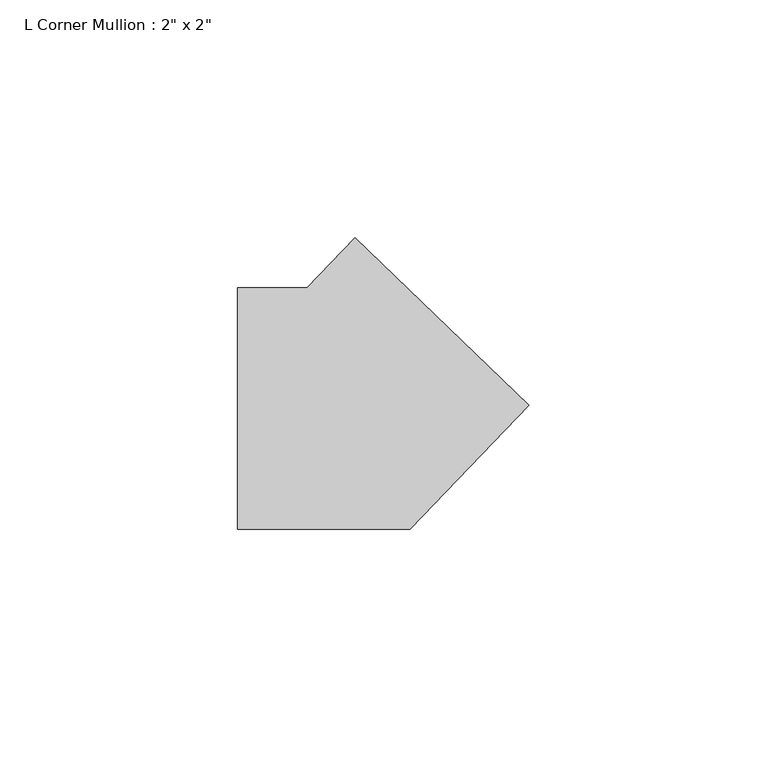
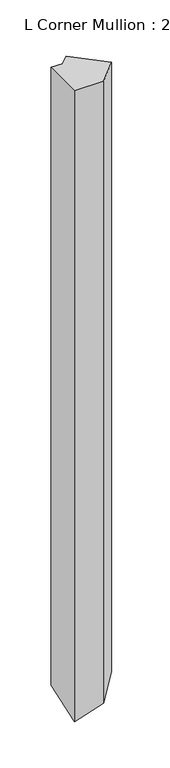
"""IFC4 building model written with IfcOpenShell, lengths in millimetres: member geometry."""

from ifc_helpers import new_model, si_unit, origin, place, context, project, spatial, faceted_brep, source, transform, mapped, element, save


def member_353b50cb(model_context):
    return source(origin(), model_context, "Body", "Brep", [
        faceted_brep([(-0.7440862, 35.913317, 0.0), (35.913317, 0.7440862, 0.0), (35.913317, 0.7440862, -802.7780156), (-0.7440862, 35.913317, -802.7780156), (-10.8305964, 25.4, 0.0), (-10.8305964, 25.4, -809.6086907), (-25.4, 25.4, 0.0), (-25.4, 25.4, -814.3376197), (-25.4, -25.4, 0.0), (-25.4, -25.4, -831.5239658), (10.8305964, -25.4, 0.0), (10.8305964, -25.4, -819.7642589)], [[[0, 1, 2, 3]], [[4, 0, 3, 5]], [[6, 4, 5, 7]], [[8, 6, 7, 9]], [[10, 8, 9, 11]], [[1, 10, 11, 2]], [[1, 0, 4, 6, 8, 10]], [[2, 11, 9, 7, 5, 3]]]),
    ])


if __name__ == "__main__":
    model = new_model("IFC4")
    model_context = context("Model", 3, world=origin())
    ifc_project = project(units=[si_unit("LENGTHUNIT", "METRE", prefix="MILLI")], contexts=[model_context])
    site = spatial("IfcSite", under=ifc_project)
    building = spatial("IfcBuilding", under=site)
    placement = place(None, origin())
    member_shape = member_353b50cb(model_context)
    element("IfcMember", 1, ObjectType="L Corner Mullion : 2\" x 2\"", at=placement, inside=building, context=model_context, shape_type="MappedRepresentation", body=[
        mapped(member_shape, transform((0.0, 0.0, 0.0), x_axis=(1.0, 0.0, 0.0), y_axis=(0.0, 1.0, 0.0), z_axis=(0.0, 0.0, 1.0))),
    ])
    save(model, "model.ifc")
